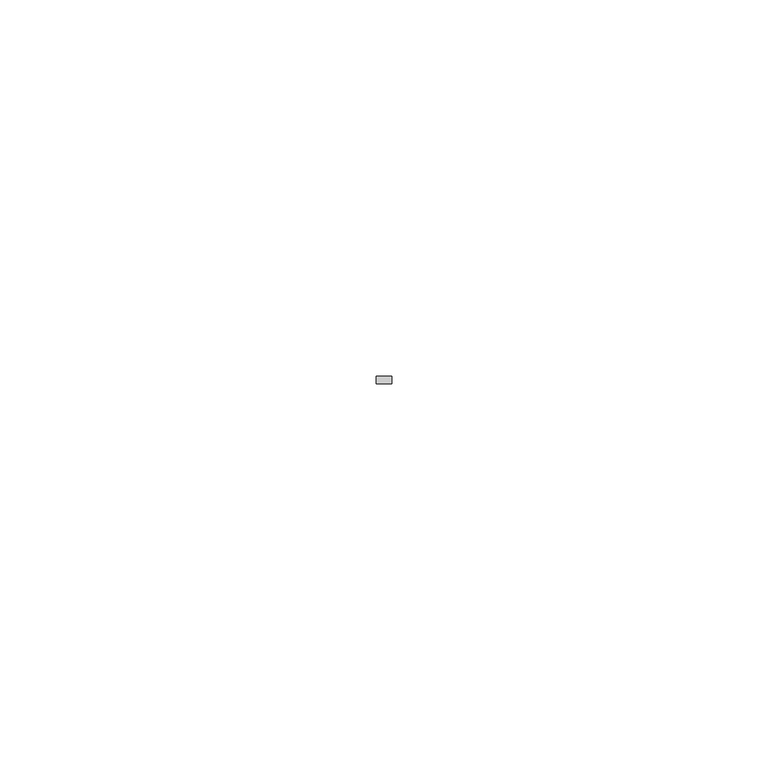
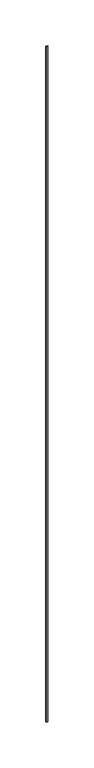
"""IFC4 building model written with IfcOpenShell, lengths in millimetres: member geometry."""

from ifc_helpers import new_model, si_unit, frame, origin, place, context, project, spatial, polyline, outline, extrude, source, transform, mapped, element, save


def member_d17d3c43(model_context):
    return source(origin(), model_context, "Body", "SweptSolid", [
        extrude(outline(polyline([(1.0, -6.0), (1.0, -7.0), (-1.0, -7.0), (-1.0, -6.0), (1.0, -6.0)])), frame((0.0, 0.0, -897.0), z_axis=(0.0, 0.0, 1.0), x_axis=(1.0, 0.0, 0.0)), (0.0, 0.0, 1.0), 897.0),
    ])


if __name__ == "__main__":
    model = new_model("IFC4")
    model_context = context("Model", 3, world=origin())
    ifc_project = project(units=[si_unit("LENGTHUNIT", "METRE", prefix="MILLI")], contexts=[model_context])
    site = spatial("IfcSite", under=ifc_project)
    building = spatial("IfcBuilding", under=site)
    placement = place(None, origin())
    member_shape = member_d17d3c43(model_context)
    element("IfcMember", 1, at=placement, inside=building, context=model_context, shape_type="MappedRepresentation", body=[
        mapped(member_shape, transform((0.0, 0.0, 0.0), x_axis=(1.0, 0.0, 0.0), y_axis=(0.0, 1.0, 0.0), z_axis=(0.0, 0.0, 1.0))),
    ])
    save(model, "model.ifc")
